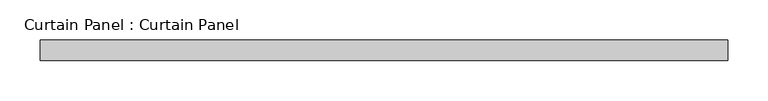
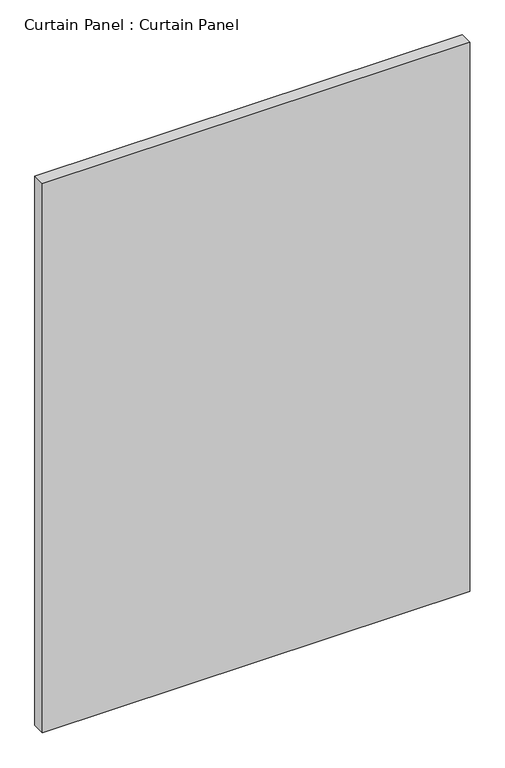
"""IFC4 building model written with IfcOpenShell, lengths in millimetres: plate geometry, Curtain Panel : Curtain Panel."""

import ifcopenshell
import ifcopenshell.guid

model = None  # the IFC model being written
_history = None  # IfcOwnerHistory: only IFC2X3 demands one
_inside = {}  # id of a spatial element -> (the spatial element, [elements in it])
_under = {}  # id of a project, library or spatial element -> (it, [spatial elements below it])
_declared = {}  # id of a project -> (the project, [libraries it declares])
_typed = {}  # id of a type object -> (the type object, [elements of that type])
_made_of = {}  # id of a material, layer set ... -> (it, [elements and type objects made of it])


def new_model(schema):
    """Start an empty IFC model of exactly this schema.

    Asked for "IFC4X3", IfcOpenShell would pick the latest addendum, in which some entities
    have other attributes; the version numbers below select the first issue.
    IFC2X3 requires an IfcOwnerHistory on every rooted entity: one is made here for all.
    """
    global model, _history
    if schema == "IFC4X3":
        model = ifcopenshell.file(schema_version=(4, 3, 0, 0))
    else:
        model = ifcopenshell.file(schema=schema)
    _inside.clear()
    _under.clear()
    _declared.clear()
    _typed.clear()
    _made_of.clear()
    _history = None
    if model.schema == "IFC2X3":
        org = make("IfcOrganization", Name="unknown")
        user = make(
            "IfcPersonAndOrganization",
            ThePerson=make("IfcPerson", FamilyName="unknown"),
            TheOrganization=org,
        )
        app = make(
            "IfcApplication",
            ApplicationDeveloper=org,
            Version="unknown",
            ApplicationFullName="unknown",
            ApplicationIdentifier="unknown",
        )
        _history = make(
            "IfcOwnerHistory",
            OwningUser=user,
            OwningApplication=app,
            ChangeAction="ADDED",
            CreationDate=0,
        )
    return model


def make(cls, **values):
    """One entity of the class cls with the attributes given. An attribute that is None is left unset."""
    return model.create_entity(
        cls, **{name: value for name, value in values.items() if value is not None}
    )


def rooted(cls, **values):
    """An entity with a GlobalId (a new one), such as an element, a storey or a relation."""
    return make(cls, GlobalId=ifcopenshell.guid.new(), OwnerHistory=_history, **values)


def si_unit(unit_type, name, prefix=None):
    """IfcSIUnit, for example si_unit("LENGTHUNIT", "METRE", prefix="MILLI")."""
    return make("IfcSIUnit", UnitType=unit_type, Prefix=prefix, Name=name)


def assignment(units):
    """IfcUnitAssignment: the units of a project."""
    return None if units is None else make("IfcUnitAssignment", Units=units)


def point(xyz):
    """IfcCartesianPoint."""
    return None if xyz is None else make("IfcCartesianPoint", Coordinates=xyz)


def direction(xyz):
    """IfcDirection."""
    return None if xyz is None else make("IfcDirection", DirectionRatios=xyz)


def frame(location, z_axis=None, x_axis=None):
    """IfcAxis2Placement3D, a coordinate frame: its origin and axes. An axis left out is left unset."""
    return make(
        "IfcAxis2Placement3D",
        Location=point(location),
        Axis=direction(z_axis),
        RefDirection=direction(x_axis),
    )


def origin():
    """The frame at (0, 0, 0) with its axes left unset."""
    return frame((0.0, 0.0, 0.0))


def place(relative_to, where):
    """IfcLocalPlacement: puts the frame where relative to a parent placement (None: the world)."""
    return make(
        "IfcLocalPlacement", PlacementRelTo=relative_to, RelativePlacement=where
    )


def context(
    kind, dimensions, precision=None, world=None, true_north=None, identifier=None
):
    """IfcGeometricRepresentationContext, for example the 3D "Model" context."""
    return make(
        "IfcGeometricRepresentationContext",
        ContextIdentifier=identifier,
        ContextType=kind,
        CoordinateSpaceDimension=dimensions,
        Precision=precision,
        WorldCoordinateSystem=world,
        TrueNorth=true_north,
    )


def project(units=None, contexts=None):
    """IfcProject with its units and contexts."""
    return rooted(
        "IfcProject",
        Name="project",
        RepresentationContexts=contexts,
        UnitsInContext=assignment(units),
    )


def spatial(cls, under=None, at=None, **own):
    """A site, building, storey or space (cls), placed at a placement, below another one or the project."""
    s = rooted(cls, ObjectPlacement=at, **own)
    if under is not None:
        _under.setdefault(under.id(), (under, []))[1].append(s)
    return s


def polyline(points):
    """IfcPolyline through the points."""
    return make("IfcPolyline", Points=[point(p) for p in points])


def outline(outer, holes=None, kind="AREA"):
    """IfcArbitraryClosedProfileDef: a profile drawn as a closed curve; with holes, ...WithVoids."""
    if holes is None:
        return make("IfcArbitraryClosedProfileDef", ProfileType=kind, OuterCurve=outer)
    return make(
        "IfcArbitraryProfileDefWithVoids",
        ProfileType=kind,
        OuterCurve=outer,
        InnerCurves=holes,
    )


def extrude(swept, where, along, depth):
    """IfcExtrudedAreaSolid: the profile swept, set in the frame where, extruded along a direction by depth."""
    return make(
        "IfcExtrudedAreaSolid",
        SweptArea=swept,
        Position=where,
        ExtrudedDirection=direction(along),
        Depth=depth,
    )


def shape(context_of_items, identifier, shape_type, items):
    """IfcShapeRepresentation: the items that make up one representation, for example the "Body"."""
    return make(
        "IfcShapeRepresentation",
        ContextOfItems=context_of_items,
        RepresentationIdentifier=identifier,
        RepresentationType=shape_type,
        Items=items,
    )


def source(mapping_origin, context_of_items, identifier, shape_type, items):
    """IfcRepresentationMap: a shape defined once, which mapped items show again and again."""
    return make(
        "IfcRepresentationMap",
        MappingOrigin=mapping_origin,
        MappedRepresentation=shape(context_of_items, identifier, shape_type, items),
    )


def transform(
    local_origin,
    x_axis=None,
    y_axis=None,
    z_axis=None,
    scale=None,
    scale2=None,
    scale3=None,
    uniform=True,
):
    """IfcCartesianTransformationOperator3D, or its non-uniform kind. x_axis, y_axis, z_axis: its Axis1, 2, 3."""
    if uniform:
        return make(
            "IfcCartesianTransformationOperator3D",
            Axis1=direction(x_axis),
            Axis2=direction(y_axis),
            LocalOrigin=point(local_origin),
            Scale=scale,
            Axis3=direction(z_axis),
        )
    return make(
        "IfcCartesianTransformationOperator3DnonUniform",
        Axis1=direction(x_axis),
        Axis2=direction(y_axis),
        LocalOrigin=point(local_origin),
        Scale=scale,
        Axis3=direction(z_axis),
        Scale2=scale2,
        Scale3=scale3,
    )


def mapped(mapping_source, mapping_target):
    """IfcMappedItem: shows the shape of a source again, moved by a transform."""
    return make(
        "IfcMappedItem", MappingSource=mapping_source, MappingTarget=mapping_target
    )


def made_of(thing, what):
    """Note that an element or type object is made of a material, layer set ...; save() writes the relation."""
    if what is not None:
        _made_of.setdefault(what.id(), (what, []))[1].append(thing)
    return thing


def element(
    cls,
    number,
    at=None,
    inside=None,
    cuts=None,
    type_object=None,
    material=None,
    context=None,
    identifier="Body",
    shape_type=None,
    held_by="IfcProductDefinitionShape",
    body=None,
    shapes=None,
    **own,
):
    """One element of the class cls, such as IfcWall. Its Tag is "e" and its number.

    at: its placement. inside: the storey or other place that contains it. cuts: it is an
    opening in that element (IfcRelVoidsElement). A single representation is given by context,
    identifier, shape_type and body (its items); several are given by shapes. held_by: the class
    of the entity that holds the representations. save() writes the other relations.
    """
    e = rooted(cls, Tag="e%d" % number, ObjectPlacement=at, **own)
    if body is not None:
        shapes = [shape(context, identifier, shape_type, body)]
    if shapes is not None:
        e.Representation = make(held_by, Representations=shapes)
    if inside is not None:
        _inside.setdefault(inside.id(), (inside, []))[1].append(e)
    if cuts is not None:
        rooted(
            "IfcRelVoidsElement", RelatingBuildingElement=cuts, RelatedOpeningElement=e
        )
    if type_object is not None:
        _typed.setdefault(type_object.id(), (type_object, []))[1].append(e)
    return made_of(e, material)


def aggregate(whole, parts):
    """IfcRelAggregates: a whole, such as a stair, and the parts it consists of."""
    return rooted("IfcRelAggregates", RelatingObject=whole, RelatedObjects=parts)


def save(model, path):
    """Write the relations noted so far, then the file.

    IfcRelAggregates (storeys below a building ...), IfcRelContainedInSpatialStructure (elements
    in a storey), IfcRelDefinesByType, IfcRelAssociatesMaterial and IfcRelDeclares: one each for
    every whole, place, type object, material and project.
    """
    for whole, parts in _under.values():
        aggregate(whole, parts)
    for where, things in _inside.values():
        rooted(
            "IfcRelContainedInSpatialStructure",
            RelatedElements=things,
            RelatingStructure=where,
        )
    for kind, things in _typed.values():
        rooted("IfcRelDefinesByType", RelatedObjects=things, RelatingType=kind)
    for what, things in _made_of.values():
        rooted("IfcRelAssociatesMaterial", RelatedObjects=things, RelatingMaterial=what)
    for by, libraries in _declared.values():
        rooted("IfcRelDeclares", RelatingContext=by, RelatedDefinitions=libraries)
    model.write(path)


def curtain_panel_curtain_panel_3df5ddde(model_context):
    return source(origin(), model_context, "Body", "SweptSolid", [
        extrude(outline(polyline([(-178566.7628689, 4757.6387985), (-179417.6628689, 4757.6387985), (-179417.6628689, 4783.0387985), (-178566.7628689, 4783.0387985), (-178566.7628689, 4757.6387985)])), frame((0.0, 0.0, 46.0375), z_axis=(0.0, 0.0, 1.0), x_axis=(1.0, 0.0, 0.0)), (0.0, 0.0, 1.0), 1155.7),
    ])


if __name__ == "__main__":
    model = new_model("IFC4")
    model_context = context("Model", 3, world=origin())
    ifc_project = project(units=[si_unit("LENGTHUNIT", "METRE", prefix="MILLI")], contexts=[model_context])
    site = spatial("IfcSite", under=ifc_project)
    building = spatial("IfcBuilding", under=site)
    placement = place(None, origin())
    curtain_panel_curtain_panel_shape = curtain_panel_curtain_panel_3df5ddde(model_context)
    element("IfcPlate", 1, ObjectType="Curtain Panel : Curtain Panel", at=placement, inside=building, context=model_context, shape_type="MappedRepresentation", body=[
        mapped(curtain_panel_curtain_panel_shape, transform((0.0, 0.0, 0.0), x_axis=(1.0, 0.0, 0.0), y_axis=(0.0, 1.0, 0.0), z_axis=(0.0, 0.0, 1.0))),
    ])
    save(model, "model.ifc")
